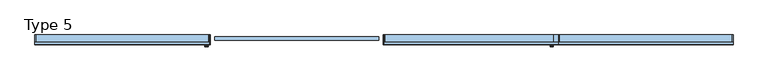
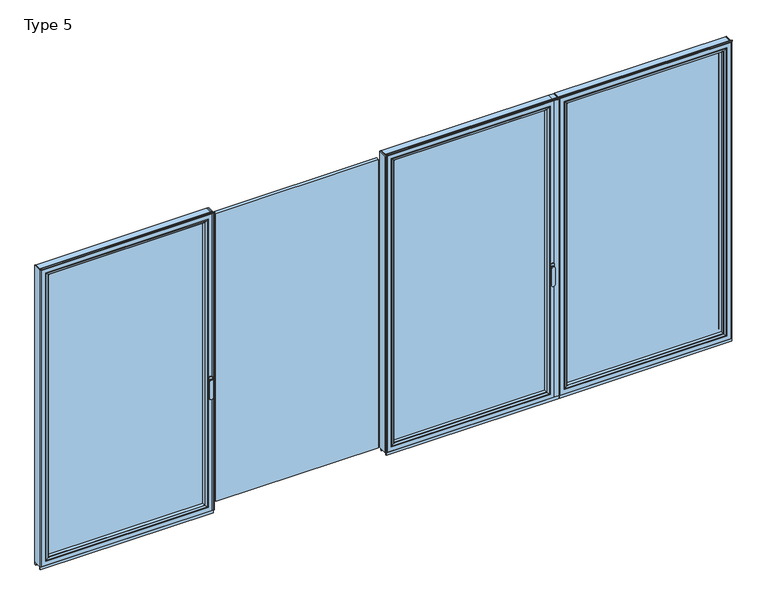
"""IFC4 building model written with IfcOpenShell, lengths in millimetres: window geometry, Type 5."""

from ifc_helpers import new_model, si_unit, point, frame, frame_2d, origin, place, context, project, spatial, polyline, circle_curve, ellipse_curve, trimmed, segment, composite_curve, outline, extrude, source, transform, mapped, element, save
from ifc_brep_helpers import plane_surface, cylinder_surface, extruded_surface, advanced_brep


def type_5_1683639d(model_context):
    return source(origin(), model_context, "Body", "SolidModel", [
        extrude(outline(polyline([(633.76, 0.0), (639.76, 0.0), (639.76, -70.0), (633.76, -70.0), (633.76, 0.0)])), frame((0.0, 0.0, 37.5), z_axis=(0.0, 0.0, 1.0), x_axis=(1.0, 0.0, 0.0)), (0.0, 0.0, 1.0), 2299.5),
        extrude(outline(polyline([(1901.28, 0.0), (1901.28, -70.0), (1895.28, -70.0), (1895.28, 0.0), (1901.28, 0.0)])), frame((0.0, 0.0, 37.5), z_axis=(0.0, 0.0, 1.0), x_axis=(1.0, 0.0, 0.0)), (0.0, 0.0, 1.0), 2299.5),
        extrude(outline(polyline([(671.76, -13.999939), (1863.28, -13.999939), (1863.28, -37.9928974), (671.76, -37.9928974), (671.76, -13.999939)])), frame((0.0, 0.0, 69.5), z_axis=(0.0, 0.0, 1.0), x_axis=(1.0, 0.0, 0.0)), (0.0, 0.0, 1.0), 2235.5),
        advanced_brep(
        [(1841.2804272, -64.5552044, 2283.0004272), (1841.2804272, -37.9928974, 2283.0004272), (1841.2804272, -37.9928974, 91.4995728), (1841.2804272, -64.5552044, 91.4995728), (1863.28, -37.9928974, 2305.0), (1863.28, -37.9928974, 69.5), (671.76, -37.9928974, 69.5), (671.76, -37.9928974, 2305.0), (693.7595728, -37.9928974, 2283.0004272), (693.7595728, -37.9928974, 91.4995728), (693.7595728, -64.5552044, 91.4995728), (1841.9899707, -65.8045072, 2283.7099707), (1841.9899707, -65.8045072, 90.7900293), (693.0500293, -65.8045072, 90.7900293), (1857.280061, -70.0, 2299.000061), (1857.280061, -70.0, 75.499939), (677.759939, -70.0, 75.499939), (671.76, -70.0, 2305.0), (671.76, -70.0, 69.5), (1863.28, -70.0, 69.5), (1863.28, -70.0, 2305.0), (677.759939, -70.0, 2299.000061), (693.7595728, -64.5552044, 2283.0004272), (693.0500293, -65.8045072, 2283.7099707)],
        [
            (0, 1),
            (1, 2),
            (2, 3),
            (3, 0),
            (4, 5),
            (5, 6),
            (6, 7),
            (7, 4),
            (8, 9),
            (9, 2),
            (1, 8),
            (9, 10),
            (10, 3),
            (11, 0, ellipse_curve(frame((1842.7350312, -64.5552044, 2284.4550312), z_axis=(0.7071067811865475, 0.0, -0.7071067811865475), x_axis=(0.7071067811865474, 0.0, 0.7071067811865476)), 2.0571207, 1.454604)),
            (3, 12, ellipse_curve(frame((1842.7350312, -64.5552044, 90.0449688), z_axis=(0.7071067811865475, 0.0, 0.7071067811865475), x_axis=(-0.7071067811865474, 0.0, 0.7071067811865476)), 2.0571207, 1.454604)),
            (12, 11),
            (10, 13, ellipse_curve(frame((692.3049688, -64.5552044, 90.0449688), z_axis=(0.7071067811865475, 0.0, -0.7071067811865475), x_axis=(0.7071067811865476, 0.0, 0.7071067811865474)), 2.0571207, 1.454604)),
            (13, 12),
            (14, 11, ellipse_curve(frame((1857.2161254, -40.2735922, 2298.9361254), z_axis=(0.7071067811865475, 0.0, -0.7071067811865475), x_axis=(0.7071067811865474, 0.0, 0.7071067811865476)), 42.0395863, 29.7264765)),
            (12, 15, ellipse_curve(frame((1857.2161254, -40.2735922, 75.5638746), z_axis=(0.7071067811865475, 0.0, 0.7071067811865475), x_axis=(-0.7071067811865474, 0.0, 0.7071067811865476)), 42.0395863, 29.7264765)),
            (15, 14),
            (13, 16, ellipse_curve(frame((677.8238746, -40.2735922, 75.5638746), z_axis=(0.7071067811865475, 0.0, -0.7071067811865475), x_axis=(0.7071067811865476, 0.0, 0.7071067811865474)), 42.0395863, 29.7264765)),
            (16, 15),
            (17, 18),
            (18, 19),
            (19, 20),
            (20, 17),
            (16, 21),
            (21, 14),
            (4, 20),
            (19, 5),
            (18, 6),
            (8, 22),
            (22, 10),
            (22, 23, ellipse_curve(frame((692.3049688, -64.5552044, 2284.4550312), z_axis=(-0.7071067811865475, 0.0, -0.7071067811865475), x_axis=(0.7071067811865474, 0.0, -0.7071067811865476)), 2.0571207, 1.454604)),
            (23, 13),
            (23, 21, ellipse_curve(frame((677.8238746, -40.2735922, 2298.9361254), z_axis=(-0.7071067811865475, 0.0, -0.7071067811865475), x_axis=(0.7071067811865474, 0.0, -0.7071067811865476)), 42.0395863, 29.7264765)),
            (17, 7),
            (0, 22),
            (11, 23),
        ],
        [
            plane_surface(frame((1841.2804272, -37.9928974, 2283.0004272), z_axis=(-1.0, 0.0, 0.0), x_axis=(0.0, 0.0, -1.0))),
            plane_surface(frame((671.76, -37.9928974, 69.5), z_axis=(0.0, 1.0, 0.0), x_axis=(0.0, 0.0, 1.0))),
            plane_surface(frame((1841.2804272, -37.9928974, 91.4995728), z_axis=(0.0, 0.0, 1.0), x_axis=(-1.0, 0.0, 0.0))),
            cylinder_surface(frame((1842.7350312, -64.5552044, 2283.0004272), z_axis=(0.0, 0.0, 1.0), x_axis=(1.0, 0.0, 0.0)), 1.454604),
            cylinder_surface(frame((1841.2804272, -64.5552044, 90.0449688), z_axis=(1.0, 0.0, 0.0), x_axis=(0.0, 0.0, -1.0)), 1.454604),
            cylinder_surface(frame((1857.2161254, -40.2735922, 2283.0004272), z_axis=(0.0, 0.0, 1.0), x_axis=(1.0, 0.0, 0.0)), 29.7264765),
            cylinder_surface(frame((1841.2804272, -40.2735922, 75.5638746), z_axis=(1.0, 0.0, 0.0), x_axis=(0.0, 0.0, -1.0)), 29.7264765),
            plane_surface(frame((677.759939, -70.0, 75.499939), z_axis=(0.0, -1.0, 0.0), x_axis=(0.0, 0.0, 1.0))),
            plane_surface(frame((1863.28, -70.0, 2305.0), z_axis=(1.0, 0.0, 0.0), x_axis=(0.0, 0.0, -1.0))),
            plane_surface(frame((1863.28, -70.0, 69.5), z_axis=(0.0, 0.0, -1.0), x_axis=(-1.0, 0.0, 0.0))),
            plane_surface(frame((693.7595728, -37.9928974, 91.4995728), z_axis=(1.0, 0.0, 0.0), x_axis=(0.0, 0.0, 1.0))),
            cylinder_surface(frame((692.3049688, -64.5552044, 91.4995728), z_axis=(0.0, 0.0, -1.0), x_axis=(-1.0, 0.0, 0.0)), 1.454604),
            cylinder_surface(frame((677.8238746, -40.2735922, 91.4995728), z_axis=(0.0, 0.0, -1.0), x_axis=(-1.0, 0.0, 0.0)), 29.7264765),
            plane_surface(frame((671.76, -70.0, 69.5), z_axis=(-1.0, 0.0, 0.0), x_axis=(0.0, 0.0, 1.0))),
            plane_surface(frame((693.7595728, -37.9928974, 2283.0004272), z_axis=(0.0, 0.0, -1.0), x_axis=(1.0, 0.0, 0.0))),
            cylinder_surface(frame((693.7595728, -64.5552044, 2284.4550312), z_axis=(-1.0, 0.0, 0.0), x_axis=(0.0, 0.0, 1.0)), 1.454604),
            cylinder_surface(frame((693.7595728, -40.2735922, 2298.9361254), z_axis=(-1.0, 0.0, 0.0), x_axis=(0.0, 0.0, 1.0)), 29.7264765),
            plane_surface(frame((671.76, -70.0, 2305.0), z_axis=(0.0, 0.0, 1.0), x_axis=(1.0, 0.0, 0.0))),
        ],
        [
            (0, [[1, 2, 3, 4]]),
            (1, [[5, 6, 7, 8], [9, 10, -2, 11]]),
            (2, [[-3, -10, 12, 13]]),
            (3, [[14, -4, 15, 16]]),
            (4, [[-15, -13, 17, 18]]),
            (5, [[19, -16, 20, 21]]),
            (6, [[-20, -18, 22, 23]]),
            (7, [[24, 25, 26, 27], [-21, -23, 28, 29]]),
            (8, [[30, -26, 31, -5]]),
            (9, [[-31, -25, 32, -6]]),
            (10, [[-12, -9, 33, 34]]),
            (11, [[-17, -34, 35, 36]]),
            (12, [[-22, -36, 37, -28]]),
            (13, [[-32, -24, 38, -7]]),
            (14, [[-33, -11, -1, 39]]),
            (15, [[-35, -39, -14, 40]]),
            (16, [[-37, -40, -19, -29]]),
            (17, [[-38, -27, -30, -8]]),
        ],
    ),
        advanced_brep(
        [(639.76, -70.0, 2337.0), (639.76, 0.0, 2337.0), (639.76, 0.0, 37.5), (639.76, -70.0, 37.5), (1895.28, 0.0, 37.5), (1895.28, -70.0, 37.5), (1895.28, 0.0, 2337.0), (1845.7808099, 0.0, 86.9991901), (1845.7808099, 0.0, 2287.5008099), (689.2591901, 0.0, 2287.5008099), (689.2591901, 0.0, 86.9991901), (1895.28, -70.0, 2337.0), (671.76, -70.0, 69.5), (671.76, -70.0, 2305.0), (1863.28, -70.0, 2305.0), (1863.28, -70.0, 69.5), (671.76, -13.999939, 2305.0), (671.76, -13.999939, 69.5), (1863.28, -13.999939, 69.5), (1863.28, -13.999939, 2305.0), (693.7595728, -13.999939, 91.4995728), (693.7595728, -13.999939, 2283.0004272), (1841.2804272, -13.999939, 2283.0004272), (1841.2804272, -13.999939, 91.4995728), (693.7595728, -4.5004435, 2283.0004272), (693.7595728, -4.5004435, 91.4995728), (1841.2804272, -4.5004435, 91.4995728), (1841.2804272, -4.5004435, 2283.0004272)],
        [
            (0, 1),
            (1, 2),
            (2, 3),
            (3, 0),
            (2, 4),
            (4, 5),
            (5, 3),
            (1, 6),
            (6, 4),
            (7, 8),
            (8, 9),
            (9, 10),
            (10, 7),
            (6, 11),
            (11, 5),
            (11, 0),
            (12, 13),
            (13, 14),
            (14, 15),
            (15, 12),
            (16, 13),
            (12, 17),
            (17, 16),
            (15, 18),
            (18, 17),
            (14, 19),
            (19, 18),
            (19, 16),
            (20, 21),
            (21, 22),
            (22, 23),
            (23, 20),
            (24, 21),
            (20, 25),
            (25, 24),
            (23, 26),
            (26, 25),
            (22, 27),
            (27, 26),
            (10, 25, ellipse_curve(frame((689.2591901, -4.5004435, 86.9991901), z_axis=(0.7071067811865475, 0.0, -0.7071067811865475), x_axis=(-0.7071067811865476, 0.0, -0.7071067811865474)), 6.3645023, 4.5003827)),
            (26, 7, ellipse_curve(frame((1845.7808099, -4.5004435, 86.9991901), z_axis=(-0.7071067811865475, 0.0, -0.7071067811865475), x_axis=(-0.7071067811865476, 0.0, 0.7071067811865474)), 6.3645023, 4.5003827)),
            (9, 24, ellipse_curve(frame((689.2591901, -4.5004435, 2287.5008099), z_axis=(-0.7071067811865475, 0.0, -0.7071067811865475), x_axis=(-0.7071067811865474, 0.0, 0.7071067811865476)), 6.3645023, 4.5003827)),
            (27, 8, ellipse_curve(frame((1845.7808099, -4.5004435, 2287.5008099), z_axis=(0.7071067811865475, 0.0, -0.7071067811865475), x_axis=(-0.7071067811865474, 0.0, -0.7071067811865476)), 6.3645023, 4.5003827)),
            (24, 27),
        ],
        [
            plane_surface(frame((639.76, 0.0, 2337.0), z_axis=(-1.0, 0.0, 0.0), x_axis=(0.0, 0.0, -1.0))),
            plane_surface(frame((639.76, 0.0, 37.5), z_axis=(0.0, 0.0, -1.0), x_axis=(1.0, 0.0, 0.0))),
            plane_surface(frame((689.2591901, 0.0, 2287.5008099), z_axis=(0.0, 1.0, 0.0), x_axis=(0.0, 0.0, -1.0))),
            plane_surface(frame((1895.28, 0.0, 37.5), z_axis=(1.0, 0.0, 0.0), x_axis=(0.0, 0.0, 1.0))),
            plane_surface(frame((639.76, -70.0, 2337.0), z_axis=(0.0, -1.0, 0.0), x_axis=(0.0, 0.0, -1.0))),
            plane_surface(frame((671.76, -70.0, 2305.0), z_axis=(1.0, 0.0, 0.0), x_axis=(0.0, 0.0, -1.0))),
            plane_surface(frame((671.76, -70.0, 69.5), z_axis=(0.0, 0.0, 1.0), x_axis=(1.0, 0.0, 0.0))),
            plane_surface(frame((1863.28, -70.0, 69.5), z_axis=(-1.0, 0.0, 0.0), x_axis=(0.0, 0.0, 1.0))),
            plane_surface(frame((671.76, -13.999939, 2305.0), z_axis=(0.0, -1.0, 0.0), x_axis=(0.0, 0.0, -1.0))),
            plane_surface(frame((693.7595728, -13.999939, 2283.0004272), z_axis=(1.0, 0.0, 0.0), x_axis=(0.0, 0.0, -1.0))),
            plane_surface(frame((693.7595728, -13.999939, 91.4995728), z_axis=(0.0, 0.0, 1.0), x_axis=(1.0, 0.0, 0.0))),
            plane_surface(frame((1841.2804272, -13.999939, 91.4995728), z_axis=(-1.0, 0.0, 0.0), x_axis=(0.0, 0.0, 1.0))),
            cylinder_surface(frame((633.76, -4.5004435, 86.9991901), z_axis=(-1.0, 0.0, 0.0), x_axis=(0.0, -1.0, 0.0)), 4.5003827),
            cylinder_surface(frame((689.2591901, -4.5004435, 2343.0), z_axis=(0.0, 0.0, 1.0), x_axis=(0.0, -1.0, 0.0)), 4.5003827),
            cylinder_surface(frame((1845.7808099, -4.5004435, 31.5), z_axis=(0.0, 0.0, -1.0), x_axis=(0.0, -1.0, 0.0)), 4.5003827),
            plane_surface(frame((1895.28, 0.0, 2337.0), z_axis=(0.0, 0.0, 1.0), x_axis=(-1.0, 0.0, 0.0))),
            plane_surface(frame((1863.28, -70.0, 2305.0), z_axis=(0.0, 0.0, -1.0), x_axis=(-1.0, 0.0, 0.0))),
            plane_surface(frame((1841.2804272, -13.999939, 2283.0004272), z_axis=(0.0, 0.0, -1.0), x_axis=(-1.0, 0.0, 0.0))),
            cylinder_surface(frame((1901.28, -4.5004435, 2287.5008099), z_axis=(1.0, 0.0, 0.0), x_axis=(0.0, -1.0, 0.0)), 4.5003827),
        ],
        [
            (0, [[1, 2, 3, 4]]),
            (1, [[-3, 5, 6, 7]]),
            (2, [[-2, 8, 9, -5], [10, 11, 12, 13]]),
            (3, [[-6, -9, 14, 15]]),
            (4, [[-15, 16, -4, -7], [17, 18, 19, 20]]),
            (5, [[21, -17, 22, 23]]),
            (6, [[-22, -20, 24, 25]]),
            (7, [[-24, -19, 26, 27]]),
            (8, [[-27, 28, -23, -25], [29, 30, 31, 32]]),
            (9, [[33, -29, 34, 35]]),
            (10, [[-34, -32, 36, 37]]),
            (11, [[-36, -31, 38, 39]]),
            (12, [[40, -37, 41, -13]]),
            (13, [[42, -35, -40, -12]]),
            (14, [[-41, -39, 43, -10]]),
            (15, [[-14, -8, -1, -16]]),
            (16, [[-26, -18, -21, -28]]),
            (17, [[-38, -30, -33, 44]]),
            (18, [[-43, -44, -42, -11]]),
        ],
    ),
        extrude(outline(polyline([(633.76, -7.6000076), (633.76, 0.0), (1901.28, 0.0), (1901.28, -7.6000076), (633.76, -7.6000076)])), frame((0.0, 0.0, 15.4995117), z_axis=(0.0, 0.0, 1.0), x_axis=(1.0, 0.0, 0.0)), (0.0, 0.0, 1.0), 22.0004883),
        extrude(outline(polyline([(633.76, -70.0), (633.76, -62.2757497), (1901.28, -62.2757497), (1901.28, -70.0), (633.76, -70.0)])), frame((0.0, 0.0, 15.4995117), z_axis=(0.0, 0.0, 1.0), x_axis=(1.0, 0.0, 0.0)), (0.0, 0.0, 1.0), 22.0004883),
        extrude(outline(composite_curve([segment(polyline([(-52.044326, 2339.1400778), (-52.044326, 2337.0), (-70.0, 2337.0), (-71.8735116, 2343.9547971)]), True, "CONTINUOUS"), segment(trimmed(circle_curve(frame_2d((-69.9423544, 2344.4750201)), 2.0), [point((-71.8735116, 2343.9547971))], [point((-71.8738669, 2344.9939222))], False, "CARTESIAN"), True, "CONTINUOUS"), segment(polyline([(-71.8738669, 2344.9939222), (-70.8937897, 2348.6420698), (-70.0, 2348.6420698), (-70.0, 2342.963961), (-68.6363596, 2339.1400778), (-52.044326, 2339.1400778)]), True, "CONTINUOUS")], self_intersect=False)), frame((633.76, 0.0, 0.0), z_axis=(1.0, 0.0, 0.0), x_axis=(0.0, 1.0, 0.0)), (0.0, 0.0, 1.0), 1267.52),
        advanced_brep(
        [(-1935.2686308, -73.5, 1050.0), (-1911.2913692, -73.5, 1050.0), (-1911.2913692, -76.8965533, 1050.0), (-1935.2686308, -76.8965533, 1050.0), (-1935.2686308, -84.5, 1050.0), (-1935.2686308, -84.5, 918.6867153), (-1911.2913692, -84.5, 918.6867153), (-1911.2913692, -84.5, 1050.0), (-1911.2913692, -76.8965533, 918.6867153), (-1935.2686308, -76.8965533, 918.6867153)],
        [
            (0, 1, circle_curve(frame((-1923.28, -73.5, 1050.0), z_axis=(0.0, 1.0, 0.0), x_axis=(1.0, 0.0, 0.0)), 11.9886308)),
            (1, 0, circle_curve(frame((-1923.28, -73.5, 1050.0), z_axis=(0.0, 1.0, 0.0), x_axis=(1.0, 0.0, 0.0)), 11.9886308)),
            (1, 2),
            (2, 3, circle_curve(frame((-1923.28, -76.8965533, 1050.0), z_axis=(0.0, 1.0, 0.0), x_axis=(1.0, 0.0, 0.0)), 11.9886308)),
            (3, 0),
            (3, 2, circle_curve(frame((-1923.28, -76.8965533, 1050.0), z_axis=(0.0, 1.0, 0.0), x_axis=(1.0, 0.0, 0.0)), 11.9886308)),
            (4, 5),
            (5, 6, ellipse_curve(frame((-1923.28, -84.5, 918.6867153), z_axis=(0.0, -1.0, 0.0), x_axis=(-1.0, 0.0, 0.0)), 11.9886308, 7.9050795)),
            (6, 7),
            (7, 4, circle_curve(frame((-1923.28, -84.5, 1050.0), z_axis=(0.0, -1.0, 0.0), x_axis=(1.0, 0.0, 0.0)), 11.9886308)),
            (2, 8),
            (8, 9, ellipse_curve(frame((-1923.28, -76.8965533, 918.6867153), z_axis=(0.0, 1.0, 0.0), x_axis=(-1.0, 0.0, 0.0)), 11.9886308, 7.9050795)),
            (9, 3),
            (4, 3),
            (9, 5),
            (8, 6),
            (2, 7),
        ],
        [
            plane_surface(frame((-1911.2913692, -73.5, 1050.0), z_axis=(0.0, 1.0, 0.0), x_axis=(0.0, 0.0, -1.0))),
            cylinder_surface(frame((-1923.28, -73.5, 1050.0), z_axis=(0.0, -1.0, 0.0), x_axis=(1.0, 0.0, 0.0)), 11.9886308),
            plane_surface(frame((-1935.2686308, -84.5, 928.3382074), z_axis=(0.0, -1.0, 0.0), x_axis=(0.0, 0.0, -1.0))),
            plane_surface(frame((-1935.2686308, -76.8965533, 928.3382074), z_axis=(0.0, 1.0, 0.0), x_axis=(0.0, 0.0, 1.0))),
            plane_surface(frame((-1935.2686308, -84.5, 1050.0), z_axis=(-1.0, 0.0, 0.0), x_axis=(0.0, 1.0, 0.0))),
            extruded_surface(trimmed(ellipse_curve(frame((-1923.28, -69.2931066, 918.6867153), z_axis=(0.0, -1.0, 0.0), x_axis=(-1.0, 0.0, 0.0)), 11.9886308, 7.9050795), [point((-1935.2686308, -69.2931066, 918.6867153))], [point((-1911.2913692, -69.2931066, 918.6867153))], True, "CARTESIAN"), (0.0, -7.603446699999992, 0.0), 7.603446699999992),
            plane_surface(frame((-1911.2913692, -84.5, 918.6867153), z_axis=(1.0, 0.0, 0.0), x_axis=(0.0, 1.0, 0.0))),
            cylinder_surface(frame((-1923.28, -76.8965533, 1050.0), z_axis=(0.0, -1.0, 0.0), x_axis=(1.0, 0.0, 0.0)), 11.9886308),
        ],
        [
            (0, [[1, 2]]),
            (1, [[-2, 3, 4, 5]]),
            (1, [[-1, -5, 6, -3]]),
            (2, [[7, 8, 9, 10]]),
            (3, [[11, 12, 13, -4]]),
            (4, [[-7, 14, -13, 15]]),
            (5, [[-8, -15, -12, 16]]),
            (6, [[-9, -16, -11, 17]]),
            (7, [[-10, -17, -6, -14]]),
        ],
    ),
        extrude(outline(composite_curve([segment(polyline([(1068.75, -1937.28), (1031.25, -1937.28)]), True, "CONTINUOUS"), segment(trimmed(circle_curve(frame_2d((1031.25, -1923.28)), 14.0), [point((1031.25, -1937.28))], [point((1031.25, -1909.28))], False, "CARTESIAN"), True, "CONTINUOUS"), segment(polyline([(1031.25, -1909.28), (1068.75, -1909.28)]), True, "CONTINUOUS"), segment(trimmed(circle_curve(frame_2d((1068.75, -1923.28)), 14.0), [point((1068.75, -1909.28))], [point((1068.75, -1937.28))], False, "CARTESIAN"), True, "CONTINUOUS")], self_intersect=False)), frame((0.0, -73.5, 0.0), z_axis=(0.0, 1.0, 0.0), x_axis=(0.0, 0.0, 1.0)), (0.0, 0.0, 1.0), 3.5),
        extrude(outline(polyline([(-3168.8, 0.0), (-3162.8, 0.0), (-3162.8, -70.0), (-3168.8, -70.0), (-3168.8, 0.0)])), frame((0.0, 0.0, 37.5), z_axis=(0.0, 0.0, 1.0), x_axis=(1.0, 0.0, 0.0)), (0.0, 0.0, 1.0), 2299.5),
        extrude(outline(polyline([(-1901.28, 0.0), (-1901.28, -70.0), (-1907.28, -70.0), (-1907.28, 0.0), (-1901.28, 0.0)])), frame((0.0, 0.0, 37.5), z_axis=(0.0, 0.0, 1.0), x_axis=(1.0, 0.0, 0.0)), (0.0, 0.0, 1.0), 2299.5),
        extrude(outline(polyline([(-3130.8, -13.999939), (-1939.28, -13.999939), (-1939.28, -37.9928974), (-3130.8, -37.9928974), (-3130.8, -13.999939)])), frame((0.0, 0.0, 69.5), z_axis=(0.0, 0.0, 1.0), x_axis=(1.0, 0.0, 0.0)), (0.0, 0.0, 1.0), 2235.5),
        advanced_brep(
        [(-1961.2795728, -64.5552044, 2283.0004272), (-1961.2795728, -37.9928974, 2283.0004272), (-1961.2795728, -37.9928974, 91.4995728), (-1961.2795728, -64.5552044, 91.4995728), (-1939.28, -37.9928974, 2305.0), (-1939.28, -37.9928974, 69.5), (-3130.8, -37.9928974, 69.5), (-3130.8, -37.9928974, 2305.0), (-3108.8004272, -37.9928974, 2283.0004272), (-3108.8004272, -37.9928974, 91.4995728), (-3108.8004272, -64.5552044, 91.4995728), (-1960.5700293, -65.8045072, 2283.7099707), (-1960.5700293, -65.8045072, 90.7900293), (-3109.5099707, -65.8045072, 90.7900293), (-1945.279939, -70.0, 2299.000061), (-1945.279939, -70.0, 75.499939), (-3124.800061, -70.0, 75.499939), (-3130.8, -70.0, 2305.0), (-3130.8, -70.0, 69.5), (-1939.28, -70.0, 69.5), (-1939.28, -70.0, 2305.0), (-3124.800061, -70.0, 2299.000061), (-3108.8004272, -64.5552044, 2283.0004272), (-3109.5099707, -65.8045072, 2283.7099707)],
        [
            (0, 1),
            (1, 2),
            (2, 3),
            (3, 0),
            (4, 5),
            (5, 6),
            (6, 7),
            (7, 4),
            (8, 9),
            (9, 2),
            (1, 8),
            (9, 10),
            (10, 3),
            (11, 0, ellipse_curve(frame((-1959.8249688, -64.5552044, 2284.4550312), z_axis=(0.7071067811865475, 0.0, -0.7071067811865475), x_axis=(0.7071067811865474, 0.0, 0.7071067811865476)), 2.0571207, 1.454604)),
            (3, 12, ellipse_curve(frame((-1959.8249688, -64.5552044, 90.0449688), z_axis=(0.7071067811865475, 0.0, 0.7071067811865475), x_axis=(-0.7071067811865474, 0.0, 0.7071067811865476)), 2.0571207, 1.454604)),
            (12, 11),
            (10, 13, ellipse_curve(frame((-3110.2550312, -64.5552044, 90.0449688), z_axis=(0.7071067811865475, 0.0, -0.7071067811865475), x_axis=(0.7071067811865476, 0.0, 0.7071067811865474)), 2.0571207, 1.454604)),
            (13, 12),
            (14, 11, ellipse_curve(frame((-1945.3438746, -40.2735922, 2298.9361254), z_axis=(0.7071067811865475, 0.0, -0.7071067811865475), x_axis=(0.7071067811865474, 0.0, 0.7071067811865476)), 42.0395863, 29.7264765)),
            (12, 15, ellipse_curve(frame((-1945.3438746, -40.2735922, 75.5638746), z_axis=(0.7071067811865475, 0.0, 0.7071067811865475), x_axis=(-0.7071067811865474, 0.0, 0.7071067811865476)), 42.0395863, 29.7264765)),
            (15, 14),
            (13, 16, ellipse_curve(frame((-3124.7361254, -40.2735922, 75.5638746), z_axis=(0.7071067811865475, 0.0, -0.7071067811865475), x_axis=(0.7071067811865476, 0.0, 0.7071067811865474)), 42.0395863, 29.7264765)),
            (16, 15),
            (17, 18),
            (18, 19),
            (19, 20),
            (20, 17),
            (16, 21),
            (21, 14),
            (4, 20),
            (19, 5),
            (18, 6),
            (8, 22),
            (22, 10),
            (22, 23, ellipse_curve(frame((-3110.2550312, -64.5552044, 2284.4550312), z_axis=(-0.7071067811865475, 0.0, -0.7071067811865475), x_axis=(0.7071067811865474, 0.0, -0.7071067811865476)), 2.0571207, 1.454604)),
            (23, 13),
            (23, 21, ellipse_curve(frame((-3124.7361254, -40.2735922, 2298.9361254), z_axis=(-0.7071067811865475, 0.0, -0.7071067811865475), x_axis=(0.7071067811865474, 0.0, -0.7071067811865476)), 42.0395863, 29.7264765)),
            (17, 7),
            (0, 22),
            (11, 23),
        ],
        [
            plane_surface(frame((-1961.2795728, -37.9928974, 2283.0004272), z_axis=(-1.0, 0.0, 0.0), x_axis=(0.0, 0.0, -1.0))),
            plane_surface(frame((-3130.8, -37.9928974, 69.5), z_axis=(0.0, 1.0, 0.0), x_axis=(0.0, 0.0, 1.0))),
            plane_surface(frame((-1961.2795728, -37.9928974, 91.4995728), z_axis=(0.0, 0.0, 1.0), x_axis=(-1.0, 0.0, 0.0))),
            cylinder_surface(frame((-1959.8249688, -64.5552044, 2283.0004272), z_axis=(0.0, 0.0, 1.0), x_axis=(1.0, 0.0, 0.0)), 1.454604),
            cylinder_surface(frame((-1961.2795728, -64.5552044, 90.0449688), z_axis=(1.0, 0.0, 0.0), x_axis=(0.0, 0.0, -1.0)), 1.454604),
            cylinder_surface(frame((-1945.3438746, -40.2735922, 2283.0004272), z_axis=(0.0, 0.0, 1.0), x_axis=(1.0, 0.0, 0.0)), 29.7264765),
            cylinder_surface(frame((-1961.2795728, -40.2735922, 75.5638746), z_axis=(1.0, 0.0, 0.0), x_axis=(0.0, 0.0, -1.0)), 29.7264765),
            plane_surface(frame((-3124.800061, -70.0, 75.499939), z_axis=(0.0, -1.0, 0.0), x_axis=(0.0, 0.0, 1.0))),
            plane_surface(frame((-1939.28, -70.0, 2305.0), z_axis=(1.0, 0.0, 0.0), x_axis=(0.0, 0.0, -1.0))),
            plane_surface(frame((-1939.28, -70.0, 69.5), z_axis=(0.0, 0.0, -1.0), x_axis=(-1.0, 0.0, 0.0))),
            plane_surface(frame((-3108.8004272, -37.9928974, 91.4995728), z_axis=(1.0, 0.0, 0.0), x_axis=(0.0, 0.0, 1.0))),
            cylinder_surface(frame((-3110.2550312, -64.5552044, 91.4995728), z_axis=(0.0, 0.0, -1.0), x_axis=(-1.0, 0.0, 0.0)), 1.454604),
            cylinder_surface(frame((-3124.7361254, -40.2735922, 91.4995728), z_axis=(0.0, 0.0, -1.0), x_axis=(-1.0, 0.0, 0.0)), 29.7264765),
            plane_surface(frame((-3130.8, -70.0, 69.5), z_axis=(-1.0, 0.0, 0.0), x_axis=(0.0, 0.0, 1.0))),
            plane_surface(frame((-3108.8004272, -37.9928974, 2283.0004272), z_axis=(0.0, 0.0, -1.0), x_axis=(1.0, 0.0, 0.0))),
            cylinder_surface(frame((-3108.8004272, -64.5552044, 2284.4550312), z_axis=(-1.0, 0.0, 0.0), x_axis=(0.0, 0.0, 1.0)), 1.454604),
            cylinder_surface(frame((-3108.8004272, -40.2735922, 2298.9361254), z_axis=(-1.0, 0.0, 0.0), x_axis=(0.0, 0.0, 1.0)), 29.7264765),
            plane_surface(frame((-3130.8, -70.0, 2305.0), z_axis=(0.0, 0.0, 1.0), x_axis=(1.0, 0.0, 0.0))),
        ],
        [
            (0, [[1, 2, 3, 4]]),
            (1, [[5, 6, 7, 8], [9, 10, -2, 11]]),
            (2, [[-3, -10, 12, 13]]),
            (3, [[14, -4, 15, 16]]),
            (4, [[-15, -13, 17, 18]]),
            (5, [[19, -16, 20, 21]]),
            (6, [[-20, -18, 22, 23]]),
            (7, [[24, 25, 26, 27], [-21, -23, 28, 29]]),
            (8, [[30, -26, 31, -5]]),
            (9, [[-31, -25, 32, -6]]),
            (10, [[-12, -9, 33, 34]]),
            (11, [[-17, -34, 35, 36]]),
            (12, [[-22, -36, 37, -28]]),
            (13, [[-32, -24, 38, -7]]),
            (14, [[-33, -11, -1, 39]]),
            (15, [[-35, -39, -14, 40]]),
            (16, [[-37, -40, -19, -29]]),
            (17, [[-38, -27, -30, -8]]),
        ],
    ),
        advanced_brep(
        [(-3162.8, -70.0, 2337.0), (-3162.8, 0.0, 2337.0), (-3162.8, 0.0, 37.5), (-3162.8, -70.0, 37.5), (-1907.28, 0.0, 37.5), (-1907.28, -70.0, 37.5), (-1907.28, 0.0, 2337.0), (-1956.7791901, 0.0, 86.9991901), (-1956.7791901, 0.0, 2287.5008099), (-3113.3008099, 0.0, 2287.5008099), (-3113.3008099, 0.0, 86.9991901), (-1907.28, -70.0, 2337.0), (-3130.8, -70.0, 69.5), (-3130.8, -70.0, 2305.0), (-1939.28, -70.0, 2305.0), (-1939.28, -70.0, 69.5), (-3130.8, -13.999939, 2305.0), (-3130.8, -13.999939, 69.5), (-1939.28, -13.999939, 69.5), (-1939.28, -13.999939, 2305.0), (-3108.8004272, -13.999939, 91.4995728), (-3108.8004272, -13.999939, 2283.0004272), (-1961.2795728, -13.999939, 2283.0004272), (-1961.2795728, -13.999939, 91.4995728), (-3108.8004272, -4.5004435, 2283.0004272), (-3108.8004272, -4.5004435, 91.4995728), (-1961.2795728, -4.5004435, 91.4995728), (-1961.2795728, -4.5004435, 2283.0004272)],
        [
            (0, 1),
            (1, 2),
            (2, 3),
            (3, 0),
            (2, 4),
            (4, 5),
            (5, 3),
            (1, 6),
            (6, 4),
            (7, 8),
            (8, 9),
            (9, 10),
            (10, 7),
            (6, 11),
            (11, 5),
            (11, 0),
            (12, 13),
            (13, 14),
            (14, 15),
            (15, 12),
            (16, 13),
            (12, 17),
            (17, 16),
            (15, 18),
            (18, 17),
            (14, 19),
            (19, 18),
            (19, 16),
            (20, 21),
            (21, 22),
            (22, 23),
            (23, 20),
            (24, 21),
            (20, 25),
            (25, 24),
            (23, 26),
            (26, 25),
            (22, 27),
            (27, 26),
            (10, 25, ellipse_curve(frame((-3113.3008099, -4.5004435, 86.9991901), z_axis=(0.7071067811865475, 0.0, -0.7071067811865475), x_axis=(-0.7071067811865476, 0.0, -0.7071067811865474)), 6.3645023, 4.5003827)),
            (26, 7, ellipse_curve(frame((-1956.7791901, -4.5004435, 86.9991901), z_axis=(-0.7071067811865475, 0.0, -0.7071067811865475), x_axis=(-0.7071067811865476, 0.0, 0.7071067811865474)), 6.3645023, 4.5003827)),
            (9, 24, ellipse_curve(frame((-3113.3008099, -4.5004435, 2287.5008099), z_axis=(-0.7071067811865475, 0.0, -0.7071067811865475), x_axis=(-0.7071067811865474, 0.0, 0.7071067811865476)), 6.3645023, 4.5003827)),
            (27, 8, ellipse_curve(frame((-1956.7791901, -4.5004435, 2287.5008099), z_axis=(0.7071067811865475, 0.0, -0.7071067811865475), x_axis=(-0.7071067811865474, 0.0, -0.7071067811865476)), 6.3645023, 4.5003827)),
            (24, 27),
        ],
        [
            plane_surface(frame((-3162.8, 0.0, 2337.0), z_axis=(-1.0, 0.0, 0.0), x_axis=(0.0, 0.0, -1.0))),
            plane_surface(frame((-3162.8, 0.0, 37.5), z_axis=(0.0, 0.0, -1.0), x_axis=(1.0, 0.0, 0.0))),
            plane_surface(frame((-3113.3008099, 0.0, 2287.5008099), z_axis=(0.0, 1.0, 0.0), x_axis=(0.0, 0.0, -1.0))),
            plane_surface(frame((-1907.28, 0.0, 37.5), z_axis=(1.0, 0.0, 0.0), x_axis=(0.0, 0.0, 1.0))),
            plane_surface(frame((-3162.8, -70.0, 2337.0), z_axis=(0.0, -1.0, 0.0), x_axis=(0.0, 0.0, -1.0))),
            plane_surface(frame((-3130.8, -70.0, 2305.0), z_axis=(1.0, 0.0, 0.0), x_axis=(0.0, 0.0, -1.0))),
            plane_surface(frame((-3130.8, -70.0, 69.5), z_axis=(0.0, 0.0, 1.0), x_axis=(1.0, 0.0, 0.0))),
            plane_surface(frame((-1939.28, -70.0, 69.5), z_axis=(-1.0, 0.0, 0.0), x_axis=(0.0, 0.0, 1.0))),
            plane_surface(frame((-3130.8, -13.999939, 2305.0), z_axis=(0.0, -1.0, 0.0), x_axis=(0.0, 0.0, -1.0))),
            plane_surface(frame((-3108.8004272, -13.999939, 2283.0004272), z_axis=(1.0, 0.0, 0.0), x_axis=(0.0, 0.0, -1.0))),
            plane_surface(frame((-3108.8004272, -13.999939, 91.4995728), z_axis=(0.0, 0.0, 1.0), x_axis=(1.0, 0.0, 0.0))),
            plane_surface(frame((-1961.2795728, -13.999939, 91.4995728), z_axis=(-1.0, 0.0, 0.0), x_axis=(0.0, 0.0, 1.0))),
            cylinder_surface(frame((-3168.8, -4.5004435, 86.9991901), z_axis=(-1.0, 0.0, 0.0), x_axis=(0.0, -1.0, 0.0)), 4.5003827),
            cylinder_surface(frame((-3113.3008099, -4.5004435, 2343.0), z_axis=(0.0, 0.0, 1.0), x_axis=(0.0, -1.0, 0.0)), 4.5003827),
            cylinder_surface(frame((-1956.7791901, -4.5004435, 31.5), z_axis=(0.0, 0.0, -1.0), x_axis=(0.0, -1.0, 0.0)), 4.5003827),
            plane_surface(frame((-1907.28, 0.0, 2337.0), z_axis=(0.0, 0.0, 1.0), x_axis=(-1.0, 0.0, 0.0))),
            plane_surface(frame((-1939.28, -70.0, 2305.0), z_axis=(0.0, 0.0, -1.0), x_axis=(-1.0, 0.0, 0.0))),
            plane_surface(frame((-1961.2795728, -13.999939, 2283.0004272), z_axis=(0.0, 0.0, -1.0), x_axis=(-1.0, 0.0, 0.0))),
            cylinder_surface(frame((-1901.28, -4.5004435, 2287.5008099), z_axis=(1.0, 0.0, 0.0), x_axis=(0.0, -1.0, 0.0)), 4.5003827),
        ],
        [
            (0, [[1, 2, 3, 4]]),
            (1, [[-3, 5, 6, 7]]),
            (2, [[-2, 8, 9, -5], [10, 11, 12, 13]]),
            (3, [[-6, -9, 14, 15]]),
            (4, [[-15, 16, -4, -7], [17, 18, 19, 20]]),
            (5, [[21, -17, 22, 23]]),
            (6, [[-22, -20, 24, 25]]),
            (7, [[-24, -19, 26, 27]]),
            (8, [[-27, 28, -23, -25], [29, 30, 31, 32]]),
            (9, [[33, -29, 34, 35]]),
            (10, [[-34, -32, 36, 37]]),
            (11, [[-36, -31, 38, 39]]),
            (12, [[40, -37, 41, -13]]),
            (13, [[42, -35, -40, -12]]),
            (14, [[-41, -39, 43, -10]]),
            (15, [[-14, -8, -1, -16]]),
            (16, [[-26, -18, -21, -28]]),
            (17, [[-38, -30, -33, 44]]),
            (18, [[-43, -44, -42, -11]]),
        ],
    ),
        extrude(outline(polyline([(-3168.8, -7.6000076), (-3168.8, 0.0), (-1901.28, 0.0), (-1901.28, -7.6000076), (-3168.8, -7.6000076)])), frame((0.0, 0.0, 15.4995117), z_axis=(0.0, 0.0, 1.0), x_axis=(1.0, 0.0, 0.0)), (0.0, 0.0, 1.0), 22.0004883),
        extrude(outline(polyline([(-3168.8, -70.0), (-3168.8, -62.2757497), (-1901.28, -62.2757497), (-1901.28, -70.0), (-3168.8, -70.0)])), frame((0.0, 0.0, 15.4995117), z_axis=(0.0, 0.0, 1.0), x_axis=(1.0, 0.0, 0.0)), (0.0, 0.0, 1.0), 22.0004883),
        extrude(outline(composite_curve([segment(polyline([(-52.044326, 2339.1400778), (-52.044326, 2337.0), (-70.0, 2337.0), (-71.8735116, 2343.9547971)]), True, "CONTINUOUS"), segment(trimmed(circle_curve(frame_2d((-69.9423544, 2344.4750201)), 2.0), [point((-71.8735116, 2343.9547971))], [point((-71.8738669, 2344.9939222))], False, "CARTESIAN"), True, "CONTINUOUS"), segment(polyline([(-71.8738669, 2344.9939222), (-70.8937897, 2348.6420698), (-70.0, 2348.6420698), (-70.0, 2342.963961), (-68.6363596, 2339.1400778), (-52.044326, 2339.1400778)]), True, "CONTINUOUS")], self_intersect=False)), frame((-3168.8, 0.0, 0.0), z_axis=(1.0, 0.0, 0.0), x_axis=(0.0, 1.0, 0.0)), (0.0, 0.0, 1.0), 1267.52),
        advanced_brep(
        [(571.7713692, -73.5, 1050.0), (595.7486308, -73.5, 1050.0), (595.7486308, -76.8965533, 1050.0), (571.7713692, -76.8965533, 1050.0), (571.7713692, -84.5, 1050.0), (571.7713692, -84.5, 918.6867153), (595.7486308, -84.5, 918.6867153), (595.7486308, -84.5, 1050.0), (595.7486308, -76.8965533, 918.6867153), (571.7713692, -76.8965533, 918.6867153)],
        [
            (0, 1, circle_curve(frame((583.76, -73.5, 1050.0), z_axis=(0.0, 1.0, 0.0), x_axis=(1.0, 0.0, 0.0)), 11.9886308)),
            (1, 0, circle_curve(frame((583.76, -73.5, 1050.0), z_axis=(0.0, 1.0, 0.0), x_axis=(1.0, 0.0, 0.0)), 11.9886308)),
            (1, 2),
            (2, 3, circle_curve(frame((583.76, -76.8965533, 1050.0), z_axis=(0.0, 1.0, 0.0), x_axis=(1.0, 0.0, 0.0)), 11.9886308)),
            (3, 0),
            (3, 2, circle_curve(frame((583.76, -76.8965533, 1050.0), z_axis=(0.0, 1.0, 0.0), x_axis=(1.0, 0.0, 0.0)), 11.9886308)),
            (4, 5),
            (5, 6, ellipse_curve(frame((583.76, -84.5, 918.6867153), z_axis=(0.0, -1.0, 0.0), x_axis=(-1.0, 0.0, 0.0)), 11.9886308, 7.9050795)),
            (6, 7),
            (7, 4, circle_curve(frame((583.76, -84.5, 1050.0), z_axis=(0.0, -1.0, 0.0), x_axis=(1.0, 0.0, 0.0)), 11.9886308)),
            (2, 8),
            (8, 9, ellipse_curve(frame((583.76, -76.8965533, 918.6867153), z_axis=(0.0, 1.0, 0.0), x_axis=(-1.0, 0.0, 0.0)), 11.9886308, 7.9050795)),
            (9, 3),
            (4, 3),
            (9, 5),
            (8, 6),
            (2, 7),
        ],
        [
            plane_surface(frame((595.7486308, -73.5, 1050.0), z_axis=(0.0, 1.0, 0.0), x_axis=(0.0, 0.0, -1.0))),
            cylinder_surface(frame((583.76, -73.5, 1050.0), z_axis=(0.0, -1.0, 0.0), x_axis=(1.0, 0.0, 0.0)), 11.9886308),
            plane_surface(frame((571.7713692, -84.5, 928.3382074), z_axis=(0.0, -1.0, 0.0), x_axis=(0.0, 0.0, -1.0))),
            plane_surface(frame((571.7713692, -76.8965533, 928.3382074), z_axis=(0.0, 1.0, 0.0), x_axis=(0.0, 0.0, 1.0))),
            plane_surface(frame((571.7713692, -84.5, 1050.0), z_axis=(-1.0, 0.0, 0.0), x_axis=(0.0, 1.0, 0.0))),
            extruded_surface(trimmed(ellipse_curve(frame((583.76, -69.2931066, 918.6867153), z_axis=(0.0, -1.0, 0.0), x_axis=(-1.0, 0.0, 0.0)), 11.9886308, 7.9050795), [point((571.7713692, -69.2931066, 918.6867153))], [point((595.7486308, -69.2931066, 918.6867153))], True, "CARTESIAN"), (0.0, -7.603446699999992, 0.0), 7.603446699999992),
            plane_surface(frame((595.7486308, -84.5, 918.6867153), z_axis=(1.0, 0.0, 0.0), x_axis=(0.0, 1.0, 0.0))),
            cylinder_surface(frame((583.76, -76.8965533, 1050.0), z_axis=(0.0, -1.0, 0.0), x_axis=(1.0, 0.0, 0.0)), 11.9886308),
        ],
        [
            (0, [[1, 2]]),
            (1, [[-2, 3, 4, 5]]),
            (1, [[-1, -5, 6, -3]]),
            (2, [[7, 8, 9, 10]]),
            (3, [[11, 12, 13, -4]]),
            (4, [[-7, 14, -13, 15]]),
            (5, [[-8, -15, -12, 16]]),
            (6, [[-9, -16, -11, 17]]),
            (7, [[-10, -17, -6, -14]]),
        ],
    ),
        extrude(outline(composite_curve([segment(polyline([(1068.75, 569.76), (1031.25, 569.76)]), True, "CONTINUOUS"), segment(trimmed(circle_curve(frame_2d((1031.25, 583.76)), 14.0), [point((1031.25, 569.76))], [point((1031.25, 597.76))], False, "CARTESIAN"), True, "CONTINUOUS"), segment(polyline([(1031.25, 597.76), (1068.75, 597.76)]), True, "CONTINUOUS"), segment(trimmed(circle_curve(frame_2d((1068.75, 583.76)), 14.0), [point((1068.75, 597.76))], [point((1068.75, 569.76))], False, "CARTESIAN"), True, "CONTINUOUS")], self_intersect=False)), frame((0.0, -73.5, 0.0), z_axis=(0.0, 1.0, 0.0), x_axis=(0.0, 0.0, 1.0)), (0.0, 0.0, 1.0), 3.5),
        extrude(outline(polyline([(-633.76, 0.0), (-627.76, 0.0), (-627.76, -70.0), (-633.76, -70.0), (-633.76, 0.0)])), frame((0.0, 0.0, 37.5), z_axis=(0.0, 0.0, 1.0), x_axis=(1.0, 0.0, 0.0)), (0.0, 0.0, 1.0), 2299.5),
        extrude(outline(polyline([(633.76, 0.0), (633.76, -70.0), (599.76, -70.0), (599.76, 0.0), (633.76, 0.0)])), frame((0.0, 0.0, 37.5), z_axis=(0.0, 0.0, 1.0), x_axis=(1.0, 0.0, 0.0)), (0.0, 0.0, 1.0), 2299.5),
        extrude(outline(polyline([(-595.76, -13.999939), (567.76, -13.999939), (567.76, -37.9928974), (-595.76, -37.9928974), (-595.76, -13.999939)])), frame((0.0, 0.0, 69.5), z_axis=(0.0, 0.0, 1.0), x_axis=(1.0, 0.0, 0.0)), (0.0, 0.0, 1.0), 2235.5),
        advanced_brep(
        [(545.7604272, -64.5552044, 2283.0004272), (545.7604272, -37.9928974, 2283.0004272), (545.7604272, -37.9928974, 91.4995728), (545.7604272, -64.5552044, 91.4995728), (567.76, -37.9928974, 2305.0), (567.76, -37.9928974, 69.5), (-595.76, -37.9928974, 69.5), (-595.76, -37.9928974, 2305.0), (-573.7604272, -37.9928974, 2283.0004272), (-573.7604272, -37.9928974, 91.4995728), (-573.7604272, -64.5552044, 91.4995728), (546.4699707, -65.8045072, 2283.7099707), (546.4699707, -65.8045072, 90.7900293), (-574.4699707, -65.8045072, 90.7900293), (561.760061, -70.0, 2299.000061), (561.760061, -70.0, 75.499939), (-589.760061, -70.0, 75.499939), (-595.76, -70.0, 2305.0), (-595.76, -70.0, 69.5), (567.76, -70.0, 69.5), (567.76, -70.0, 2305.0), (-589.760061, -70.0, 2299.000061), (-573.7604272, -64.5552044, 2283.0004272), (-574.4699707, -65.8045072, 2283.7099707)],
        [
            (0, 1),
            (1, 2),
            (2, 3),
            (3, 0),
            (4, 5),
            (5, 6),
            (6, 7),
            (7, 4),
            (8, 9),
            (9, 2),
            (1, 8),
            (9, 10),
            (10, 3),
            (11, 0, ellipse_curve(frame((547.2150312, -64.5552044, 2284.4550312), z_axis=(0.7071067811865475, 0.0, -0.7071067811865475), x_axis=(0.7071067811865474, 0.0, 0.7071067811865476)), 2.0571207, 1.454604)),
            (3, 12, ellipse_curve(frame((547.2150312, -64.5552044, 90.0449688), z_axis=(0.7071067811865475, 0.0, 0.7071067811865475), x_axis=(-0.7071067811865474, 0.0, 0.7071067811865476)), 2.0571207, 1.454604)),
            (12, 11),
            (10, 13, ellipse_curve(frame((-575.2150312, -64.5552044, 90.0449688), z_axis=(0.7071067811865475, 0.0, -0.7071067811865475), x_axis=(0.7071067811865476, 0.0, 0.7071067811865474)), 2.0571207, 1.454604)),
            (13, 12),
            (14, 11, ellipse_curve(frame((561.6961254, -40.2735922, 2298.9361254), z_axis=(0.7071067811865475, 0.0, -0.7071067811865475), x_axis=(0.7071067811865474, 0.0, 0.7071067811865476)), 42.0395863, 29.7264765)),
            (12, 15, ellipse_curve(frame((561.6961254, -40.2735922, 75.5638746), z_axis=(0.7071067811865475, 0.0, 0.7071067811865475), x_axis=(-0.7071067811865474, 0.0, 0.7071067811865476)), 42.0395863, 29.7264765)),
            (15, 14),
            (13, 16, ellipse_curve(frame((-589.6961254, -40.2735922, 75.5638746), z_axis=(0.7071067811865475, 0.0, -0.7071067811865475), x_axis=(0.7071067811865476, 0.0, 0.7071067811865474)), 42.0395863, 29.7264765)),
            (16, 15),
            (17, 18),
            (18, 19),
            (19, 20),
            (20, 17),
            (16, 21),
            (21, 14),
            (4, 20),
            (19, 5),
            (18, 6),
            (8, 22),
            (22, 10),
            (22, 23, ellipse_curve(frame((-575.2150312, -64.5552044, 2284.4550312), z_axis=(-0.7071067811865475, 0.0, -0.7071067811865475), x_axis=(0.7071067811865474, 0.0, -0.7071067811865476)), 2.0571207, 1.454604)),
            (23, 13),
            (23, 21, ellipse_curve(frame((-589.6961254, -40.2735922, 2298.9361254), z_axis=(-0.7071067811865475, 0.0, -0.7071067811865475), x_axis=(0.7071067811865474, 0.0, -0.7071067811865476)), 42.0395863, 29.7264765)),
            (17, 7),
            (0, 22),
            (11, 23),
        ],
        [
            plane_surface(frame((545.7604272, -37.9928974, 2283.0004272), z_axis=(-1.0, 0.0, 0.0), x_axis=(0.0, 0.0, -1.0))),
            plane_surface(frame((-595.76, -37.9928974, 69.5), z_axis=(0.0, 1.0, 0.0), x_axis=(0.0, 0.0, 1.0))),
            plane_surface(frame((545.7604272, -37.9928974, 91.4995728), z_axis=(0.0, 0.0, 1.0), x_axis=(-1.0, 0.0, 0.0))),
            cylinder_surface(frame((547.2150312, -64.5552044, 2283.0004272), z_axis=(0.0, 0.0, 1.0), x_axis=(1.0, 0.0, 0.0)), 1.454604),
            cylinder_surface(frame((545.7604272, -64.5552044, 90.0449688), z_axis=(1.0, 0.0, 0.0), x_axis=(0.0, 0.0, -1.0)), 1.454604),
            cylinder_surface(frame((561.6961254, -40.2735922, 2283.0004272), z_axis=(0.0, 0.0, 1.0), x_axis=(1.0, 0.0, 0.0)), 29.7264765),
            cylinder_surface(frame((545.7604272, -40.2735922, 75.5638746), z_axis=(1.0, 0.0, 0.0), x_axis=(0.0, 0.0, -1.0)), 29.7264765),
            plane_surface(frame((-589.760061, -70.0, 75.499939), z_axis=(0.0, -1.0, 0.0), x_axis=(0.0, 0.0, 1.0))),
            plane_surface(frame((567.76, -70.0, 2305.0), z_axis=(1.0, 0.0, 0.0), x_axis=(0.0, 0.0, -1.0))),
            plane_surface(frame((567.76, -70.0, 69.5), z_axis=(0.0, 0.0, -1.0), x_axis=(-1.0, 0.0, 0.0))),
            plane_surface(frame((-573.7604272, -37.9928974, 91.4995728), z_axis=(1.0, 0.0, 0.0), x_axis=(0.0, 0.0, 1.0))),
            cylinder_surface(frame((-575.2150312, -64.5552044, 91.4995728), z_axis=(0.0, 0.0, -1.0), x_axis=(-1.0, 0.0, 0.0)), 1.454604),
            cylinder_surface(frame((-589.6961254, -40.2735922, 91.4995728), z_axis=(0.0, 0.0, -1.0), x_axis=(-1.0, 0.0, 0.0)), 29.7264765),
            plane_surface(frame((-595.76, -70.0, 69.5), z_axis=(-1.0, 0.0, 0.0), x_axis=(0.0, 0.0, 1.0))),
            plane_surface(frame((-573.7604272, -37.9928974, 2283.0004272), z_axis=(0.0, 0.0, -1.0), x_axis=(1.0, 0.0, 0.0))),
            cylinder_surface(frame((-573.7604272, -64.5552044, 2284.4550312), z_axis=(-1.0, 0.0, 0.0), x_axis=(0.0, 0.0, 1.0)), 1.454604),
            cylinder_surface(frame((-573.7604272, -40.2735922, 2298.9361254), z_axis=(-1.0, 0.0, 0.0), x_axis=(0.0, 0.0, 1.0)), 29.7264765),
            plane_surface(frame((-595.76, -70.0, 2305.0), z_axis=(0.0, 0.0, 1.0), x_axis=(1.0, 0.0, 0.0))),
        ],
        [
            (0, [[1, 2, 3, 4]]),
            (1, [[5, 6, 7, 8], [9, 10, -2, 11]]),
            (2, [[-3, -10, 12, 13]]),
            (3, [[14, -4, 15, 16]]),
            (4, [[-15, -13, 17, 18]]),
            (5, [[19, -16, 20, 21]]),
            (6, [[-20, -18, 22, 23]]),
            (7, [[24, 25, 26, 27], [-21, -23, 28, 29]]),
            (8, [[30, -26, 31, -5]]),
            (9, [[-31, -25, 32, -6]]),
            (10, [[-12, -9, 33, 34]]),
            (11, [[-17, -34, 35, 36]]),
            (12, [[-22, -36, 37, -28]]),
            (13, [[-32, -24, 38, -7]]),
            (14, [[-33, -11, -1, 39]]),
            (15, [[-35, -39, -14, 40]]),
            (16, [[-37, -40, -19, -29]]),
            (17, [[-38, -27, -30, -8]]),
        ],
    ),
        advanced_brep(
        [(-627.76, -70.0, 2337.0), (-627.76, 0.0, 2337.0), (-627.76, 0.0, 37.5), (-627.76, -70.0, 37.5), (599.76, 0.0, 37.5), (599.76, -70.0, 37.5), (599.76, 0.0, 2337.0), (550.2608099, 0.0, 86.9991901), (550.2608099, 0.0, 2287.5008099), (-578.2608099, 0.0, 2287.5008099), (-578.2608099, 0.0, 86.9991901), (599.76, -70.0, 2337.0), (-595.76, -70.0, 69.5), (-595.76, -70.0, 2305.0), (567.76, -70.0, 2305.0), (567.76, -70.0, 69.5), (-595.76, -13.999939, 2305.0), (-595.76, -13.999939, 69.5), (567.76, -13.999939, 69.5), (567.76, -13.999939, 2305.0), (-573.7604272, -13.999939, 91.4995728), (-573.7604272, -13.999939, 2283.0004272), (545.7604272, -13.999939, 2283.0004272), (545.7604272, -13.999939, 91.4995728), (-573.7604272, -4.5004435, 2283.0004272), (-573.7604272, -4.5004435, 91.4995728), (545.7604272, -4.5004435, 91.4995728), (545.7604272, -4.5004435, 2283.0004272)],
        [
            (0, 1),
            (1, 2),
            (2, 3),
            (3, 0),
            (2, 4),
            (4, 5),
            (5, 3),
            (1, 6),
            (6, 4),
            (7, 8),
            (8, 9),
            (9, 10),
            (10, 7),
            (6, 11),
            (11, 5),
            (11, 0),
            (12, 13),
            (13, 14),
            (14, 15),
            (15, 12),
            (16, 13),
            (12, 17),
            (17, 16),
            (15, 18),
            (18, 17),
            (14, 19),
            (19, 18),
            (19, 16),
            (20, 21),
            (21, 22),
            (22, 23),
            (23, 20),
            (24, 21),
            (20, 25),
            (25, 24),
            (23, 26),
            (26, 25),
            (22, 27),
            (27, 26),
            (10, 25, ellipse_curve(frame((-578.2608099, -4.5004435, 86.9991901), z_axis=(0.7071067811865475, 0.0, -0.7071067811865475), x_axis=(-0.7071067811865476, 0.0, -0.7071067811865474)), 6.3645023, 4.5003827)),
            (26, 7, ellipse_curve(frame((550.2608099, -4.5004435, 86.9991901), z_axis=(-0.7071067811865475, 0.0, -0.7071067811865475), x_axis=(-0.7071067811865476, 0.0, 0.7071067811865474)), 6.3645023, 4.5003827)),
            (9, 24, ellipse_curve(frame((-578.2608099, -4.5004435, 2287.5008099), z_axis=(-0.7071067811865475, 0.0, -0.7071067811865475), x_axis=(-0.7071067811865474, 0.0, 0.7071067811865476)), 6.3645023, 4.5003827)),
            (27, 8, ellipse_curve(frame((550.2608099, -4.5004435, 2287.5008099), z_axis=(0.7071067811865475, 0.0, -0.7071067811865475), x_axis=(-0.7071067811865474, 0.0, -0.7071067811865476)), 6.3645023, 4.5003827)),
            (24, 27),
        ],
        [
            plane_surface(frame((-627.76, 0.0, 2337.0), z_axis=(-1.0, 0.0, 0.0), x_axis=(0.0, 0.0, -1.0))),
            plane_surface(frame((-627.76, 0.0, 37.5), z_axis=(0.0, 0.0, -1.0), x_axis=(1.0, 0.0, 0.0))),
            plane_surface(frame((-578.2608099, 0.0, 2287.5008099), z_axis=(0.0, 1.0, 0.0), x_axis=(0.0, 0.0, -1.0))),
            plane_surface(frame((599.76, 0.0, 37.5), z_axis=(1.0, 0.0, 0.0), x_axis=(0.0, 0.0, 1.0))),
            plane_surface(frame((-627.76, -70.0, 2337.0), z_axis=(0.0, -1.0, 0.0), x_axis=(0.0, 0.0, -1.0))),
            plane_surface(frame((-595.76, -70.0, 2305.0), z_axis=(1.0, 0.0, 0.0), x_axis=(0.0, 0.0, -1.0))),
            plane_surface(frame((-595.76, -70.0, 69.5), z_axis=(0.0, 0.0, 1.0), x_axis=(1.0, 0.0, 0.0))),
            plane_surface(frame((567.76, -70.0, 69.5), z_axis=(-1.0, 0.0, 0.0), x_axis=(0.0, 0.0, 1.0))),
            plane_surface(frame((-595.76, -13.999939, 2305.0), z_axis=(0.0, -1.0, 0.0), x_axis=(0.0, 0.0, -1.0))),
            plane_surface(frame((-573.7604272, -13.999939, 2283.0004272), z_axis=(1.0, 0.0, 0.0), x_axis=(0.0, 0.0, -1.0))),
            plane_surface(frame((-573.7604272, -13.999939, 91.4995728), z_axis=(0.0, 0.0, 1.0), x_axis=(1.0, 0.0, 0.0))),
            plane_surface(frame((545.7604272, -13.999939, 91.4995728), z_axis=(-1.0, 0.0, 0.0), x_axis=(0.0, 0.0, 1.0))),
            cylinder_surface(frame((-633.76, -4.5004435, 86.9991901), z_axis=(-1.0, 0.0, 0.0), x_axis=(0.0, -1.0, 0.0)), 4.5003827),
            cylinder_surface(frame((-578.2608099, -4.5004435, 2343.0), z_axis=(0.0, 0.0, 1.0), x_axis=(0.0, -1.0, 0.0)), 4.5003827),
            cylinder_surface(frame((550.2608099, -4.5004435, 31.5), z_axis=(0.0, 0.0, -1.0), x_axis=(0.0, -1.0, 0.0)), 4.5003827),
            plane_surface(frame((599.76, 0.0, 2337.0), z_axis=(0.0, 0.0, 1.0), x_axis=(-1.0, 0.0, 0.0))),
            plane_surface(frame((567.76, -70.0, 2305.0), z_axis=(0.0, 0.0, -1.0), x_axis=(-1.0, 0.0, 0.0))),
            plane_surface(frame((545.7604272, -13.999939, 2283.0004272), z_axis=(0.0, 0.0, -1.0), x_axis=(-1.0, 0.0, 0.0))),
            cylinder_surface(frame((605.76, -4.5004435, 2287.5008099), z_axis=(1.0, 0.0, 0.0), x_axis=(0.0, -1.0, 0.0)), 4.5003827),
        ],
        [
            (0, [[1, 2, 3, 4]]),
            (1, [[-3, 5, 6, 7]]),
            (2, [[-2, 8, 9, -5], [10, 11, 12, 13]]),
            (3, [[-6, -9, 14, 15]]),
            (4, [[-15, 16, -4, -7], [17, 18, 19, 20]]),
            (5, [[21, -17, 22, 23]]),
            (6, [[-22, -20, 24, 25]]),
            (7, [[-24, -19, 26, 27]]),
            (8, [[-27, 28, -23, -25], [29, 30, 31, 32]]),
            (9, [[33, -29, 34, 35]]),
            (10, [[-34, -32, 36, 37]]),
            (11, [[-36, -31, 38, 39]]),
            (12, [[40, -37, 41, -13]]),
            (13, [[42, -35, -40, -12]]),
            (14, [[-41, -39, 43, -10]]),
            (15, [[-14, -8, -1, -16]]),
            (16, [[-26, -18, -21, -28]]),
            (17, [[-38, -30, -33, 44]]),
            (18, [[-43, -44, -42, -11]]),
        ],
    ),
        extrude(outline(polyline([(-633.76, -7.6000076), (-633.76, 0.0), (633.76, 0.0), (633.76, -7.6000076), (-633.76, -7.6000076)])), frame((0.0, 0.0, 15.4995117), z_axis=(0.0, 0.0, 1.0), x_axis=(1.0, 0.0, 0.0)), (0.0, 0.0, 1.0), 22.0004883),
        extrude(outline(polyline([(-633.76, -70.0), (-633.76, -62.2757497), (633.76, -62.2757497), (633.76, -70.0), (-633.76, -70.0)])), frame((0.0, 0.0, 15.4995117), z_axis=(0.0, 0.0, 1.0), x_axis=(1.0, 0.0, 0.0)), (0.0, 0.0, 1.0), 22.0004883),
        extrude(outline(composite_curve([segment(polyline([(-52.044326, 2339.1400778), (-52.044326, 2337.0), (-70.0, 2337.0), (-71.8735116, 2343.9547971)]), True, "CONTINUOUS"), segment(trimmed(circle_curve(frame_2d((-69.9423544, 2344.4750201)), 2.0), [point((-71.8735116, 2343.9547971))], [point((-71.8738669, 2344.9939222))], False, "CARTESIAN"), True, "CONTINUOUS"), segment(polyline([(-71.8738669, 2344.9939222), (-70.8937897, 2348.6420698), (-70.0, 2348.6420698), (-70.0, 2342.963961), (-68.6363596, 2339.1400778), (-52.044326, 2339.1400778)]), True, "CONTINUOUS")], self_intersect=False)), frame((-633.76, 0.0, 0.0), z_axis=(1.0, 0.0, 0.0), x_axis=(0.0, 1.0, 0.0)), (0.0, 0.0, 1.0), 1267.52),
        extrude(outline(polyline([(-633.76, 0.0), (-633.76, -70.0), (-639.76, -70.0), (-639.76, 0.0), (-633.76, 0.0)])), frame((0.0, 0.0, 37.5), z_axis=(0.0, 0.0, 1.0), x_axis=(1.0, 0.0, 0.0)), (0.0, 0.0, 1.0), 2299.5),
        extrude(outline(polyline([(-1901.28, 0.0), (-1895.28, 0.0), (-1895.28, -70.0), (-1901.28, -70.0), (-1901.28, 0.0)])), frame((0.0, 0.0, 37.5), z_axis=(0.0, 0.0, 1.0), x_axis=(1.0, 0.0, 0.0)), (0.0, 0.0, 1.0), 2299.5),
        extrude(outline(polyline([(-671.76, -13.999939), (-671.76, -37.9928974), (-1863.28, -37.9928974), (-1863.28, -13.999939), (-671.76, -13.999939)])), frame((0.0, 0.0, 69.5), z_axis=(0.0, 0.0, 1.0), x_axis=(1.0, 0.0, 0.0)), (0.0, 0.0, 1.0), 2235.5),
    ])


if __name__ == "__main__":
    model = new_model("IFC4")
    model_context = context("Model", 3, world=origin())
    ifc_project = project(units=[si_unit("LENGTHUNIT", "METRE", prefix="MILLI")], contexts=[model_context])
    site = spatial("IfcSite", under=ifc_project)
    building = spatial("IfcBuilding", under=site)
    placement = place(None, origin())
    type_5_shape = type_5_1683639d(model_context)
    element("IfcWindow", 1, ObjectType="Type 5", at=placement, inside=building, context=model_context, shape_type="MappedRepresentation", body=[
        mapped(type_5_shape, transform((0.0, 0.0, 0.0), x_axis=(1.0, 0.0, 0.0), y_axis=(0.0, 1.0, 0.0), z_axis=(0.0, 0.0, 1.0))),
    ])
    save(model, "model.ifc")
